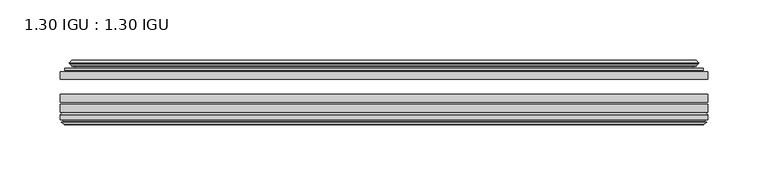
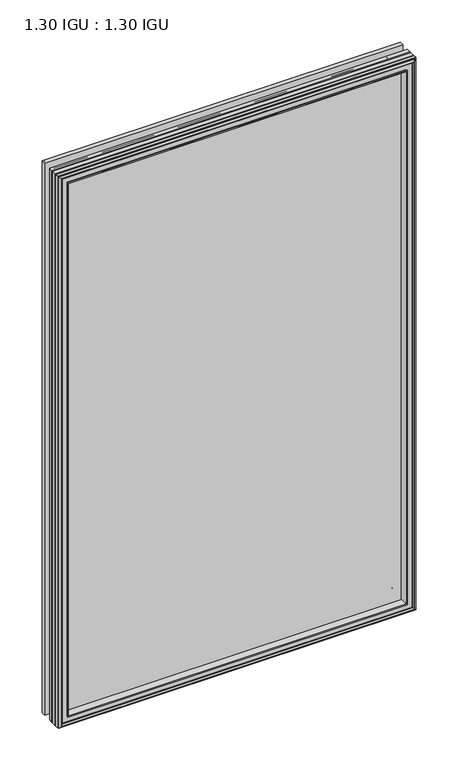
"""IFC4 building model written with IfcOpenShell, lengths in millimetres: plate geometry, 1.30 IGU : 1.30 IGU."""

from ifc_helpers import new_model, si_unit, frame, origin, place, context, project, spatial, polyline, ellipse_curve, outline, extrude, faceted_brep, source, transform, mapped, element, save
from ifc_brep_helpers import plane_surface, cylinder_surface, revolved_surface, advanced_brep


def plate_1_30_igu_1_30_igu_8c802eff(model_context):
    return source(origin(), model_context, "Body", "SolidModel", [
        extrude(outline(polyline([(268.2046782, -44.92625), (268.2046782, -51.27625), (-268.271625, -51.27625), (-268.271625, -44.92625), (268.2046782, -44.92625)])), frame((0.0, 0.0, -14.2875), z_axis=(0.0, 0.0, 1.0), x_axis=(1.0, 0.0, 0.0)), (0.0, 0.0, 1.0), 873.125),
        extrude(outline(polyline([(-268.271625, -78.58125), (-268.271625, -72.23125), (268.2046782, -72.23125), (268.2046782, -78.58125), (-268.271625, -78.58125)])), frame((0.0, 0.0, -14.2875), z_axis=(0.0, 0.0, 1.0), x_axis=(1.0, 0.0, 0.0)), (0.0, 0.0, 1.0), 873.125),
        extrude(outline(polyline([(-268.271625, -70.32625), (-268.271625, -63.97625), (268.2046782, -63.97625), (268.2046782, -70.32625), (-268.271625, -70.32625)])), frame((0.0, 0.0, -14.2875), z_axis=(0.0, 0.0, 1.0), x_axis=(1.0, 0.0, 0.0)), (0.0, 0.0, 1.0), 873.125),
        advanced_brep(
        [(-249.9364152, -43.8351483, 840.5022902), (-250.3782254, -44.92625, 840.9441004), (-250.3782254, -44.92625, 3.6058996), (-249.9364152, -43.8351483, 4.0477098), (-253.984125, -36.11245, 844.55), (-253.984125, -36.11245, 0.0), (-259.1700359, -37.2935491, 849.7359109), (-259.1700359, -37.2935491, -5.1859109), (-258.8404606, -36.4664324, 849.4063356), (-258.8404606, -36.4664324, -4.8563356), (-258.8404606, -35.6521812, 849.4063356), (-258.8404606, -35.6521812, -4.8563356), (-260.6567361, -37.610817, 851.2226111), (-260.6567361, -37.610817, -6.6726111), (-260.6567361, -38.3239429, 851.2226111), (-260.6567361, -38.3239429, -6.6726111), (-258.8404606, -40.2727974, 849.4063356), (-258.8404606, -40.2727974, -4.8563356), (-258.8404606, -39.4683275, 849.4063356), (-258.8404606, -39.4683275, -4.8563356), (-259.1623751, -38.6604367, 849.7282501), (-259.1623751, -38.6604367, -5.1782501), (-256.6385629, -38.502045, 847.2044379), (-256.6385629, -38.502045, -2.6544379), (-255.6127467, -39.1897544, 846.1786217), (-255.6127467, -39.1897544, -1.6286217), (-255.7311538, -40.5842231, 846.2970288), (-255.7311538, -40.5842231, -1.7470288), (-256.3328998, -42.08145, 846.8987748), (-256.3328998, -42.08145, -2.3487748), (-264.2586803, -43.9898729, 854.8245553), (-263.7730495, -42.08145, 854.3389245), (-263.7730495, -42.08145, -9.7889245), (-264.2586803, -43.9898729, -10.2745553), (-262.5379405, -44.92625, 853.1038155), (-262.5379405, -44.92625, -8.5538155), (250.3782254, -44.92625, 3.6058996), (249.9364152, -43.8351483, 4.0477098), (253.984125, -36.11245, 0.0), (259.1700359, -37.2935491, -5.1859109), (258.8404606, -36.4664324, -4.8563356), (258.8404606, -35.6521812, -4.8563356), (260.6567361, -37.610817, -6.6726111), (260.6567361, -38.3239429, -6.6726111), (258.8404606, -40.2727974, -4.8563356), (258.8404606, -39.4683275, -4.8563356), (259.1623751, -38.6604367, -5.1782501), (256.6385629, -38.502045, -2.6544379), (255.6127467, -39.1897544, -1.6286217), (255.7311538, -40.5842231, -1.7470288), (256.3328998, -42.08145, -2.3487748), (263.7730495, -42.08145, -9.7889245), (264.2586803, -43.9898729, -10.2745553), (262.5379405, -44.92625, -8.5538155), (250.3782254, -44.92625, 840.9441004), (249.9364152, -43.8351483, 840.5022902), (253.984125, -36.11245, 844.55), (259.1700359, -37.2935491, 849.7359109), (258.8404606, -36.4664324, 849.4063356), (258.8404606, -35.6521812, 849.4063356), (260.6567361, -37.610817, 851.2226111), (260.6567361, -38.3239429, 851.2226111), (258.8404606, -40.2727974, 849.4063356), (258.8404606, -39.4683275, 849.4063356), (259.1623751, -38.6604367, 849.7282501), (256.6385629, -38.502045, 847.2044379), (255.6127467, -39.1897544, 846.1786217), (255.7311538, -40.5842231, 846.2970288), (256.3328998, -42.08145, 846.8987748), (263.7730495, -42.08145, 854.3389245), (264.2586803, -43.9898729, 854.8245553), (262.5379405, -44.92625, 853.1038155)],
        [
            (0, 1, ellipse_curve(frame((-250.3782254, -44.29125, 840.9441004), z_axis=(-0.7071067811865475, 0.0, -0.7071067811865475), x_axis=(-0.7071067811865474, 0.0, 0.7071067811865476)), 0.8980256, 0.635)),
            (1, 2),
            (2, 3, ellipse_curve(frame((-250.3782254, -44.29125, 3.6058996), z_axis=(-0.7071067811865475, 0.0, 0.7071067811865475), x_axis=(0.7071067811865474, 0.0, 0.7071067811865476)), 0.8980256, 0.635)),
            (3, 0),
            (4, 0, ellipse_curve(frame((-240.2513304, -33.8367745, 830.8172054), z_axis=(0.7071067811865475, 0.0, 0.7071067811865475), x_axis=(0.7071067811865474, 0.0, -0.7071067811865476)), 19.6859517, 13.9200699)),
            (3, 5, ellipse_curve(frame((-240.2513304, -33.8367745, 13.7327946), z_axis=(0.7071067811865475, 0.0, -0.7071067811865475), x_axis=(-0.7071067811865474, 0.0, -0.7071067811865476)), 19.6859517, 13.9200699)),
            (5, 4),
            (6, 4),
            (5, 7),
            (7, 6),
            (8, 6),
            (7, 9),
            (9, 8),
            (10, 8),
            (9, 11),
            (11, 10),
            (12, 10),
            (11, 13),
            (13, 12),
            (14, 12, ellipse_curve(frame((-260.2948979, -37.96738, 850.8607729), z_axis=(-0.7071067811865475, 0.0, -0.7071067811865475), x_axis=(-0.7071067811865474, 0.0, 0.7071067811865476)), 0.7184205, 0.508)),
            (13, 15, ellipse_curve(frame((-260.2948979, -37.96738, -6.3107729), z_axis=(-0.7071067811865475, 0.0, 0.7071067811865475), x_axis=(0.7071067811865474, 0.0, 0.7071067811865476)), 0.7184205, 0.508)),
            (15, 14),
            (16, 14),
            (15, 17),
            (17, 16),
            (18, 16),
            (17, 19),
            (19, 18),
            (20, 18),
            (19, 21),
            (21, 20),
            (22, 20),
            (21, 23),
            (23, 22),
            (24, 22, ellipse_curve(frame((-256.574925, -39.51605, 847.1408), z_axis=(0.7071067811865475, 0.0, 0.7071067811865475), x_axis=(0.7071067811865474, 0.0, -0.7071067811865476)), 1.436841, 1.016)),
            (23, 25, ellipse_curve(frame((-256.574925, -39.51605, -2.5908), z_axis=(0.7071067811865475, 0.0, -0.7071067811865475), x_axis=(-0.7071067811865474, 0.0, -0.7071067811865476)), 1.436841, 1.016)),
            (25, 24),
            (26, 24, ellipse_curve(frame((-257.946525, -39.69385, 848.5124), z_axis=(0.7071067811865475, 0.0, 0.7071067811865475), x_axis=(0.7071067811865474, 0.0, -0.7071067811865476)), 3.3765763, 2.3876)),
            (25, 27, ellipse_curve(frame((-257.946525, -39.69385, -3.9624), z_axis=(0.7071067811865475, 0.0, -0.7071067811865475), x_axis=(-0.7071067811865474, 0.0, -0.7071067811865476)), 3.3765763, 2.3876)),
            (27, 26),
            (28, 26),
            (27, 29),
            (29, 28),
            (30, 31, ellipse_curve(frame((-263.7730495, -43.09745, 854.3389245), z_axis=(-0.7071067811865475, 0.0, -0.7071067811865475), x_axis=(-0.7071067811865474, 0.0, 0.7071067811865476)), 1.436841, 1.016)),
            (31, 32),
            (32, 33, ellipse_curve(frame((-263.7730495, -43.09745, -9.7889245), z_axis=(-0.7071067811865475, 0.0, 0.7071067811865475), x_axis=(0.7071067811865474, 0.0, 0.7071067811865476)), 1.436841, 1.016)),
            (33, 30),
            (34, 30),
            (33, 35),
            (35, 34),
            (2, 36),
            (36, 37, ellipse_curve(frame((250.3782254, -44.29125, 3.6058996), z_axis=(-0.7071067811865475, 0.0, -0.7071067811865475), x_axis=(-0.7071067811865476, 0.0, 0.7071067811865474)), 0.8980256, 0.635)),
            (37, 3),
            (37, 38, ellipse_curve(frame((240.2513304, -33.8367745, 13.7327946), z_axis=(0.7071067811865475, 0.0, 0.7071067811865475), x_axis=(0.7071067811865476, 0.0, -0.7071067811865474)), 19.6859517, 13.9200699)),
            (38, 5),
            (38, 39),
            (39, 7),
            (39, 40),
            (40, 9),
            (40, 41),
            (41, 11),
            (41, 42),
            (42, 13),
            (42, 43, ellipse_curve(frame((260.2948979, -37.96738, -6.3107729), z_axis=(-0.7071067811865475, 0.0, -0.7071067811865475), x_axis=(-0.7071067811865476, 0.0, 0.7071067811865474)), 0.7184205, 0.508)),
            (43, 15),
            (43, 44),
            (44, 17),
            (44, 45),
            (45, 19),
            (45, 46),
            (46, 21),
            (46, 47),
            (47, 23),
            (47, 48, ellipse_curve(frame((256.574925, -39.51605, -2.5908), z_axis=(0.7071067811865475, 0.0, 0.7071067811865475), x_axis=(0.7071067811865476, 0.0, -0.7071067811865474)), 1.436841, 1.016)),
            (48, 25),
            (48, 49, ellipse_curve(frame((257.946525, -39.69385, -3.9624), z_axis=(0.7071067811865475, 0.0, 0.7071067811865475), x_axis=(0.7071067811865476, 0.0, -0.7071067811865474)), 3.3765763, 2.3876)),
            (49, 27),
            (49, 50),
            (50, 29),
            (32, 51),
            (51, 52, ellipse_curve(frame((263.7730495, -43.09745, -9.7889245), z_axis=(-0.7071067811865475, 0.0, -0.7071067811865475), x_axis=(-0.7071067811865476, 0.0, 0.7071067811865474)), 1.436841, 1.016)),
            (52, 33),
            (52, 53),
            (53, 35),
            (36, 54),
            (54, 55, ellipse_curve(frame((250.3782254, -44.29125, 840.9441004), z_axis=(0.7071067811865475, 0.0, -0.7071067811865475), x_axis=(-0.7071067811865474, 0.0, -0.7071067811865476)), 0.8980256, 0.635)),
            (55, 37),
            (55, 56, ellipse_curve(frame((240.2513304, -33.8367745, 830.8172054), z_axis=(-0.7071067811865475, 0.0, 0.7071067811865475), x_axis=(0.7071067811865474, 0.0, 0.7071067811865476)), 19.6859517, 13.9200699)),
            (56, 38),
            (56, 57),
            (57, 39),
            (57, 58),
            (58, 40),
            (58, 59),
            (59, 41),
            (59, 60),
            (60, 42),
            (60, 61, ellipse_curve(frame((260.2948979, -37.96738, 850.8607729), z_axis=(0.7071067811865475, 0.0, -0.7071067811865475), x_axis=(-0.7071067811865474, 0.0, -0.7071067811865476)), 0.7184205, 0.508)),
            (61, 43),
            (61, 62),
            (62, 44),
            (62, 63),
            (63, 45),
            (63, 64),
            (64, 46),
            (64, 65),
            (65, 47),
            (65, 66, ellipse_curve(frame((256.574925, -39.51605, 847.1408), z_axis=(-0.7071067811865475, 0.0, 0.7071067811865475), x_axis=(0.7071067811865474, 0.0, 0.7071067811865476)), 1.436841, 1.016)),
            (66, 48),
            (66, 67, ellipse_curve(frame((257.946525, -39.69385, 848.5124), z_axis=(-0.7071067811865475, 0.0, 0.7071067811865475), x_axis=(0.7071067811865474, 0.0, 0.7071067811865476)), 3.3765763, 2.3876)),
            (67, 49),
            (67, 68),
            (68, 50),
            (51, 69),
            (69, 70, ellipse_curve(frame((263.7730495, -43.09745, 854.3389245), z_axis=(0.7071067811865475, 0.0, -0.7071067811865475), x_axis=(-0.7071067811865474, 0.0, -0.7071067811865476)), 1.436841, 1.016)),
            (70, 52),
            (70, 71),
            (71, 53),
            (54, 1),
            (0, 55),
            (4, 56),
            (6, 57),
            (8, 58),
            (10, 59),
            (12, 60),
            (14, 61),
            (16, 62),
            (18, 63),
            (20, 64),
            (22, 65),
            (24, 66),
            (26, 67),
            (28, 68),
            (31, 69),
            (30, 70),
            (34, 71),
        ],
        [
            cylinder_surface(frame((-250.3782254, -44.29125, 876.3), z_axis=(0.0, 0.0, 1.0), x_axis=(-1.0, 0.0, 0.0)), 0.635),
            revolved_surface(polyline([(-254.1714003, -33.8367745, -0.18727534118079348), (-254.1714003, -33.8367745, 844.7372753411809)]), (-240.2513304, -33.8367745, 876.3), (0.0, 0.0, -1.0)),
            plane_surface(frame((-253.984125, -36.11245, 844.55), z_axis=(-0.22206498442778655, 0.975031867525922, 0.0), x_axis=(0.0, 0.0, -1.0))),
            plane_surface(frame((-259.1700359, -37.2935491, 849.7359109), z_axis=(0.9289682685629922, -0.37015936568331825, 0.0), x_axis=(0.0, 0.0, -1.0))),
            plane_surface(frame((-258.8404606, -36.4664324, 849.4063356), z_axis=(1.0, 0.0, 0.0), x_axis=(0.0, 0.0, -1.0))),
            plane_surface(frame((-258.8404606, -35.6521812, 849.4063356), z_axis=(-0.7332521292723956, 0.6799568478348448, 0.0), x_axis=(0.0, 0.0, -1.0))),
            cylinder_surface(frame((-260.2948979, -37.96738, 876.3), z_axis=(0.0, 0.0, 1.0), x_axis=(-1.0, 0.0, 0.0)), 0.508),
            plane_surface(frame((-260.6567361, -38.3239429, 851.2226111), z_axis=(-0.7315522693036389, -0.6817853601220082, 0.0), x_axis=(0.0, 0.0, -1.0))),
            plane_surface(frame((-258.8404606, -40.2727974, 849.4063356), z_axis=(1.0, 0.0, 0.0), x_axis=(0.0, 0.0, -1.0))),
            plane_surface(frame((-258.8404606, -39.4683275, 849.4063356), z_axis=(0.9289682685631103, 0.3701593656830216, 0.0), x_axis=(0.0, 0.0, -1.0))),
            plane_surface(frame((-259.1623751, -38.6604367, 849.7282501), z_axis=(0.06263570119321643, -0.9980364567169048, 0.0), x_axis=(0.0, 0.0, -1.0))),
            revolved_surface(polyline([(-257.590925, -39.51605, -3.606800014586838), (-257.590925, -39.51605, 848.1568000145869)]), (-256.574925, -39.51605, 876.3), (0.0, 0.0, -1.0)),
            revolved_surface(polyline([(-260.33412500000003, -39.69385, -6.3499999989237494), (-260.33412500000003, -39.69385, 850.8999999989237)]), (-257.946525, -39.69385, 876.3), (0.0, 0.0, -1.0)),
            plane_surface(frame((-255.7311538, -40.5842231, 846.2970288), z_axis=(-0.9278652925428912, 0.372915538553028, 0.0), x_axis=(0.0, 0.0, -1.0))),
            cylinder_surface(frame((-263.7730495, -43.09745, 876.3), z_axis=(0.0, 0.0, 1.0), x_axis=(-1.0, 0.0, 0.0)), 1.016),
            plane_surface(frame((-264.2586803, -43.9898729, 854.8245553), z_axis=(-0.477983117370979, -0.8783690223979446, 0.0), x_axis=(0.0, 0.0, -1.0))),
            cylinder_surface(frame((-285.734125, -44.29125, 3.6058996), z_axis=(-1.0, 0.0, 0.0), x_axis=(0.0, 0.0, -1.0)), 0.635),
            revolved_surface(polyline([(254.1714003411808, -33.8367745, -0.1872752999999996), (-254.17140034118086, -33.8367745, -0.1872752999999996)]), (-285.734125, -33.8367745, 13.7327946), (1.0, 0.0, 0.0)),
            plane_surface(frame((-253.984125, -36.11245, 0.0), z_axis=(0.0, 0.9750318675259212, -0.2220649844277897), x_axis=(1.0, 0.0, 0.0))),
            plane_surface(frame((-259.1700359, -37.2935491, -5.1859109), z_axis=(0.0, -0.3701593656833152, 0.9289682685629934), x_axis=(1.0, 0.0, 0.0))),
            plane_surface(frame((-258.8404606, -36.4664324, -4.8563356), z_axis=(0.0, 0.0, 1.0), x_axis=(1.0, 0.0, 0.0))),
            plane_surface(frame((-258.8404606, -35.6521812, -4.8563356), z_axis=(0.0, 0.6799568478348423, -0.7332521292723978), x_axis=(1.0, 0.0, 0.0))),
            cylinder_surface(frame((-285.734125, -37.96738, -6.3107729), z_axis=(-1.0, 0.0, 0.0), x_axis=(0.0, 0.0, -1.0)), 0.508),
            plane_surface(frame((-260.6567361, -38.3239429, -6.6726111), z_axis=(0.0, -0.6817853601220105, -0.7315522693036367), x_axis=(1.0, 0.0, 0.0))),
            plane_surface(frame((-258.8404606, -40.2727974, -4.8563356), z_axis=(0.0, 0.0, 1.0), x_axis=(1.0, 0.0, 0.0))),
            plane_surface(frame((-258.8404606, -39.4683275, -4.8563356), z_axis=(0.0, 0.37015936568302465, 0.9289682685631091), x_axis=(1.0, 0.0, 0.0))),
            plane_surface(frame((-259.1623751, -38.6604367, -5.1782501), z_axis=(0.0, -0.9980364567169046, 0.06263570119321968), x_axis=(1.0, 0.0, 0.0))),
            revolved_surface(polyline([(257.59092501458696, -39.51605, -3.6068000000000002), (-257.59092501458684, -39.51605, -3.6068000000000002)]), (-285.734125, -39.51605, -2.5908), (1.0, 0.0, 0.0)),
            revolved_surface(polyline([(260.33412499892376, -39.69385, -6.35), (-260.3341249989238, -39.69385, -6.35)]), (-285.734125, -39.69385, -3.9624), (1.0, 0.0, 0.0)),
            plane_surface(frame((-255.7311538, -40.5842231, -1.7470288), z_axis=(0.0, 0.372915538553025, -0.9278652925428924), x_axis=(1.0, 0.0, 0.0))),
            cylinder_surface(frame((-285.734125, -43.09745, -9.7889245), z_axis=(-1.0, 0.0, 0.0), x_axis=(0.0, 0.0, -1.0)), 1.016),
            plane_surface(frame((-264.2586803, -43.9898729, -10.2745553), z_axis=(0.0, -0.8783690223979462, -0.47798311737097615), x_axis=(1.0, 0.0, 0.0))),
            cylinder_surface(frame((250.3782254, -44.29125, -31.75), z_axis=(0.0, 0.0, -1.0), x_axis=(1.0, 0.0, 0.0)), 0.635),
            revolved_surface(polyline([(254.1714003, -33.8367745, 844.7372753411809), (254.1714003, -33.8367745, -0.1872753411808432)]), (240.2513304, -33.8367745, -31.75), (0.0, 0.0, 1.0)),
            plane_surface(frame((253.984125, -36.11245, 0.0), z_axis=(0.2220649844277929, 0.9750318675259205, 0.0), x_axis=(0.0, 0.0, 1.0))),
            plane_surface(frame((259.1700359, -37.2935491, -5.1859109), z_axis=(-0.9289682685629946, -0.37015936568331215, 0.0), x_axis=(0.0, 0.0, 1.0))),
            plane_surface(frame((258.8404606, -36.4664324, -4.8563356), z_axis=(-1.0, 0.0, 0.0), x_axis=(0.0, 0.0, 1.0))),
            plane_surface(frame((258.8404606, -35.6521812, -4.8563356), z_axis=(0.7332521292724, 0.6799568478348399, 0.0), x_axis=(0.0, 0.0, 1.0))),
            cylinder_surface(frame((260.2948979, -37.96738, -31.75), z_axis=(0.0, 0.0, -1.0), x_axis=(1.0, 0.0, 0.0)), 0.508),
            plane_surface(frame((260.6567361, -38.3239429, -6.6726111), z_axis=(0.7315522693036345, -0.6817853601220129, 0.0), x_axis=(0.0, 0.0, 1.0))),
            plane_surface(frame((258.8404606, -40.2727974, -4.8563356), z_axis=(-1.0, 0.0, 0.0), x_axis=(0.0, 0.0, 1.0))),
            plane_surface(frame((258.8404606, -39.4683275, -4.8563356), z_axis=(-0.9289682685631079, 0.3701593656830277, 0.0), x_axis=(0.0, 0.0, 1.0))),
            plane_surface(frame((259.1623751, -38.6604367, -5.1782501), z_axis=(-0.06263570119322293, -0.9980364567169043, 0.0), x_axis=(0.0, 0.0, 1.0))),
            revolved_surface(polyline([(257.590925, -39.51605, 848.1568000145869), (257.590925, -39.51605, -3.606800014586863)]), (256.574925, -39.51605, -31.75), (0.0, 0.0, 1.0)),
            revolved_surface(polyline([(260.33412500000003, -39.69385, 850.8999999989237), (260.33412500000003, -39.69385, -6.349999998923781)]), (257.946525, -39.69385, -31.75), (0.0, 0.0, 1.0)),
            plane_surface(frame((255.7311538, -40.5842231, -1.7470288), z_axis=(0.9278652925428936, 0.372915538553022, 0.0), x_axis=(0.0, 0.0, 1.0))),
            cylinder_surface(frame((263.7730495, -43.09745, -31.75), z_axis=(0.0, 0.0, -1.0), x_axis=(1.0, 0.0, 0.0)), 1.016),
            plane_surface(frame((264.2586803, -43.9898729, -10.2745553), z_axis=(0.47798311737097327, -0.8783690223979478, 0.0), x_axis=(0.0, 0.0, 1.0))),
            cylinder_surface(frame((285.734125, -44.29125, 840.9441004), z_axis=(1.0, 0.0, 0.0), x_axis=(0.0, 0.0, 1.0)), 0.635),
            revolved_surface(polyline([(-254.1714003411808, -33.8367745, 844.7372753000001), (254.17140034118086, -33.8367745, 844.7372753000001)]), (285.734125, -33.8367745, 830.8172054), (-1.0, 0.0, 0.0)),
            plane_surface(frame((253.984125, -36.11245, 844.55), z_axis=(0.0, 0.9750318675259213, 0.22206498442778974), x_axis=(-1.0, 0.0, 0.0))),
            plane_surface(frame((259.1700359, -37.2935491, 849.7359109), z_axis=(0.0, -0.3701593656833152, -0.9289682685629934), x_axis=(-1.0, 0.0, 0.0))),
            plane_surface(frame((258.8404606, -36.4664324, 849.4063356), z_axis=(0.0, 0.0, -1.0), x_axis=(-1.0, 0.0, 0.0))),
            plane_surface(frame((258.8404606, -35.6521812, 849.4063356), z_axis=(0.0, 0.6799568478348423, 0.7332521292723978), x_axis=(-1.0, 0.0, 0.0))),
            cylinder_surface(frame((285.734125, -37.96738, 850.8607729), z_axis=(1.0, 0.0, 0.0), x_axis=(0.0, 0.0, 1.0)), 0.508),
            plane_surface(frame((260.6567361, -38.3239429, 851.2226111), z_axis=(0.0, -0.6817853601220105, 0.7315522693036367), x_axis=(-1.0, 0.0, 0.0))),
            plane_surface(frame((258.8404606, -40.2727974, 849.4063356), z_axis=(0.0, 0.0, -1.0), x_axis=(-1.0, 0.0, 0.0))),
            plane_surface(frame((258.8404606, -39.4683275, 849.4063356), z_axis=(0.0, 0.37015936568302465, -0.9289682685631091), x_axis=(-1.0, 0.0, 0.0))),
            plane_surface(frame((259.1623751, -38.6604367, 849.7282501), z_axis=(0.0, -0.9980364567169046, -0.06263570119321968), x_axis=(-1.0, 0.0, 0.0))),
            revolved_surface(polyline([(-257.59092501458696, -39.51605, 848.1568), (257.59092501458684, -39.51605, 848.1568)]), (285.734125, -39.51605, 847.1408), (-1.0, 0.0, 0.0)),
            revolved_surface(polyline([(-260.33412499892376, -39.69385, 850.9), (260.3341249989238, -39.69385, 850.9)]), (285.734125, -39.69385, 848.5124), (-1.0, 0.0, 0.0)),
            plane_surface(frame((255.7311538, -40.5842231, 846.2970288), z_axis=(0.0, 0.372915538553025, 0.9278652925428924), x_axis=(-1.0, 0.0, 0.0))),
            plane_surface(frame((256.3328998, -42.08145, 846.8987748), z_axis=(0.0, 1.0, 0.0), x_axis=(-1.0, 0.0, 0.0))),
            cylinder_surface(frame((285.734125, -43.09745, 854.3389245), z_axis=(1.0, 0.0, 0.0), x_axis=(0.0, 0.0, 1.0)), 1.016),
            plane_surface(frame((264.2586803, -43.9898729, 854.8245553), z_axis=(0.0, -0.8783690223979462, 0.47798311737097615), x_axis=(-1.0, 0.0, 0.0))),
            plane_surface(frame((262.5379405, -44.92625, 853.1038155), z_axis=(0.0, -1.0, 0.0), x_axis=(-1.0, 0.0, 0.0))),
        ],
        [
            (0, [[1, 2, 3, 4]]),
            (1, [[5, -4, 6, 7]]),
            (2, [[8, -7, 9, 10]]),
            (3, [[11, -10, 12, 13]]),
            (4, [[14, -13, 15, 16]]),
            (5, [[17, -16, 18, 19]]),
            (6, [[20, -19, 21, 22]]),
            (7, [[23, -22, 24, 25]]),
            (8, [[26, -25, 27, 28]]),
            (9, [[29, -28, 30, 31]]),
            (10, [[32, -31, 33, 34]]),
            (11, [[35, -34, 36, 37]]),
            (12, [[38, -37, 39, 40]]),
            (13, [[41, -40, 42, 43]]),
            (14, [[44, 45, 46, 47]]),
            (15, [[48, -47, 49, 50]]),
            (16, [[-3, 51, 52, 53]]),
            (17, [[-6, -53, 54, 55]]),
            (18, [[-9, -55, 56, 57]]),
            (19, [[-12, -57, 58, 59]]),
            (20, [[-15, -59, 60, 61]]),
            (21, [[-18, -61, 62, 63]]),
            (22, [[-21, -63, 64, 65]]),
            (23, [[-24, -65, 66, 67]]),
            (24, [[-27, -67, 68, 69]]),
            (25, [[-30, -69, 70, 71]]),
            (26, [[-33, -71, 72, 73]]),
            (27, [[-36, -73, 74, 75]]),
            (28, [[-39, -75, 76, 77]]),
            (29, [[-42, -77, 78, 79]]),
            (30, [[-46, 80, 81, 82]]),
            (31, [[-49, -82, 83, 84]]),
            (32, [[-52, 85, 86, 87]]),
            (33, [[-54, -87, 88, 89]]),
            (34, [[-56, -89, 90, 91]]),
            (35, [[-58, -91, 92, 93]]),
            (36, [[-60, -93, 94, 95]]),
            (37, [[-62, -95, 96, 97]]),
            (38, [[-64, -97, 98, 99]]),
            (39, [[-66, -99, 100, 101]]),
            (40, [[-68, -101, 102, 103]]),
            (41, [[-70, -103, 104, 105]]),
            (42, [[-72, -105, 106, 107]]),
            (43, [[-74, -107, 108, 109]]),
            (44, [[-76, -109, 110, 111]]),
            (45, [[-78, -111, 112, 113]]),
            (46, [[-81, 114, 115, 116]]),
            (47, [[-83, -116, 117, 118]]),
            (48, [[-86, 119, -1, 120]]),
            (49, [[-88, -120, -5, 121]]),
            (50, [[-90, -121, -8, 122]]),
            (51, [[-92, -122, -11, 123]]),
            (52, [[-94, -123, -14, 124]]),
            (53, [[-96, -124, -17, 125]]),
            (54, [[-98, -125, -20, 126]]),
            (55, [[-100, -126, -23, 127]]),
            (56, [[-102, -127, -26, 128]]),
            (57, [[-104, -128, -29, 129]]),
            (58, [[-106, -129, -32, 130]]),
            (59, [[-108, -130, -35, 131]]),
            (60, [[-110, -131, -38, 132]]),
            (61, [[-112, -132, -41, 133]]),
            (62, [[134, -114, -80, -45], [-79, -113, -133, -43]]),
            (63, [[-115, -134, -44, 135]]),
            (64, [[-117, -135, -48, 136]]),
            (65, [[-84, -118, -136, -50], [-119, -85, -51, -2]]),
        ],
    ),
        faceted_brep([(-250.1299077, -78.58125, 840.6957827), (-252.6962048, -87.47125, 843.2620798), (-252.6962048, -87.47125, 1.2879202), (-250.1299077, -78.58125, 3.8542173), (-268.284325, -80.7883102, 858.8502), (-266.0772648, -78.58125, 856.6431398), (-266.0772648, -78.58125, -12.0931398), (-268.284325, -80.7883102, -14.3002), (-268.284325, -84.93125, 858.8502), (-268.284325, -84.93125, -14.3002), (-265.8653025, -86.11489, 856.4311775), (-266.7044932, -84.93125, 857.2703682), (-266.7044932, -84.93125, -12.7203682), (-265.8653025, -86.11489, -11.8811775), (-265.668125, -87.4125884, 856.234), (-265.668125, -87.4125884, -11.684), (-266.643785, -86.8828917, 857.20966), (-266.643785, -86.8828917, -12.65966), (-265.109325, -88.6999663, 855.6752), (-267.4364555, -86.8828917, 858.0023305), (-267.4364555, -86.8828917, -13.4523305), (-265.109325, -88.6999663, -11.1252), (-262.7821945, -86.8828917, 853.3480695), (-262.7821945, -86.8828917, -8.7980695), (-264.550525, -87.4125884, 855.1164), (-263.574865, -86.8828917, 854.14074), (-263.574865, -86.8828917, -9.59074), (-264.550525, -87.4125884, -10.5664), (-264.3533475, -86.11489, 854.9192225), (-264.3533475, -86.11489, -10.3692225), (-263.483725, -84.93125, 854.0496), (-263.483725, -84.93125, -9.4996), (-254.3354917, -87.47125, 844.9013667), (-253.806325, -84.93125, 844.3722), (-253.806325, -84.93125, 0.1778), (-254.3354917, -87.47125, -0.3513667), (252.6962048, -87.47125, 1.2879202), (250.1299077, -78.58125, 3.8542173), (266.0772648, -78.58125, -12.0931398), (268.284325, -80.7883102, -14.3002), (268.284325, -84.93125, -14.3002), (266.7044932, -84.93125, -12.7203682), (265.8653025, -86.11489, -11.8811775), (265.668125, -87.4125884, -11.684), (266.643785, -86.8828917, -12.65966), (267.4364555, -86.8828917, -13.4523305), (265.109325, -88.6999663, -11.1252), (262.7821945, -86.8828917, -8.7980695), (263.574865, -86.8828917, -9.59074), (264.550525, -87.4125884, -10.5664), (264.3533475, -86.11489, -10.3692225), (263.483725, -84.93125, -9.4996), (253.806325, -84.93125, 0.1778), (254.3354917, -87.47125, -0.3513667), (252.6962048, -87.47125, 843.2620798), (250.1299077, -78.58125, 840.6957827), (266.0772648, -78.58125, 856.6431398), (268.284325, -80.7883102, 858.8502), (268.284325, -84.93125, 858.8502), (266.7044932, -84.93125, 857.2703682), (265.8653025, -86.11489, 856.4311775), (265.668125, -87.4125884, 856.234), (266.643785, -86.8828917, 857.20966), (267.4364555, -86.8828917, 858.0023305), (265.109325, -88.6999663, 855.6752), (262.7821945, -86.8828917, 853.3480695), (263.574865, -86.8828917, 854.14074), (264.550525, -87.4125884, 855.1164), (264.3533475, -86.11489, 854.9192225), (263.483725, -84.93125, 854.0496), (253.806325, -84.93125, 844.3722), (254.3354917, -87.47125, 844.9013667)], [[[0, 1, 2, 3]], [[4, 5, 6, 7]], [[8, 4, 7, 9]], [[10, 11, 12, 13]], [[14, 10, 13, 15]], [[16, 14, 15, 17]], [[18, 19, 20, 21]], [[22, 18, 21, 23]], [[24, 25, 26, 27]], [[28, 24, 27, 29]], [[30, 28, 29, 31]], [[32, 33, 34, 35]], [[3, 2, 36, 37]], [[7, 6, 38, 39]], [[9, 7, 39, 40]], [[13, 12, 41, 42]], [[15, 13, 42, 43]], [[17, 15, 43, 44]], [[21, 20, 45, 46]], [[23, 21, 46, 47]], [[27, 26, 48, 49]], [[29, 27, 49, 50]], [[31, 29, 50, 51]], [[35, 34, 52, 53]], [[37, 36, 54, 55]], [[39, 38, 56, 57]], [[40, 39, 57, 58]], [[42, 41, 59, 60]], [[43, 42, 60, 61]], [[44, 43, 61, 62]], [[46, 45, 63, 64]], [[47, 46, 64, 65]], [[49, 48, 66, 67]], [[50, 49, 67, 68]], [[51, 50, 68, 69]], [[53, 52, 70, 71]], [[55, 54, 1, 0]], [[5, 56, 38, 6], [3, 37, 55, 0]], [[57, 56, 5, 4]], [[58, 57, 4, 8]], [[9, 40, 58, 8], [11, 59, 41, 12]], [[60, 59, 11, 10]], [[61, 60, 10, 14]], [[62, 61, 14, 16]], [[19, 63, 45, 20], [17, 44, 62, 16]], [[64, 63, 19, 18]], [[65, 64, 18, 22]], [[25, 66, 48, 26], [23, 47, 65, 22]], [[67, 66, 25, 24]], [[68, 67, 24, 28]], [[69, 68, 28, 30]], [[31, 51, 69, 30], [33, 70, 52, 34]], [[71, 70, 33, 32]], [[35, 53, 71, 32], [1, 54, 36, 2]]]),
    ])


if __name__ == "__main__":
    model = new_model("IFC4")
    model_context = context("Model", 3, world=origin())
    ifc_project = project(units=[si_unit("LENGTHUNIT", "METRE", prefix="MILLI")], contexts=[model_context])
    site = spatial("IfcSite", under=ifc_project)
    building = spatial("IfcBuilding", under=site)
    placement = place(None, origin())
    plate_1_30_igu_1_30_igu_shape = plate_1_30_igu_1_30_igu_8c802eff(model_context)
    element("IfcPlate", 1, ObjectType="1.30 IGU : 1.30 IGU", at=placement, inside=building, context=model_context, shape_type="MappedRepresentation", body=[
        mapped(plate_1_30_igu_1_30_igu_shape, transform((0.0, 0.0, 0.0), x_axis=(1.0, 0.0, 0.0), y_axis=(0.0, 1.0, 0.0), z_axis=(0.0, 0.0, 1.0))),
    ])
    save(model, "model.ifc")
